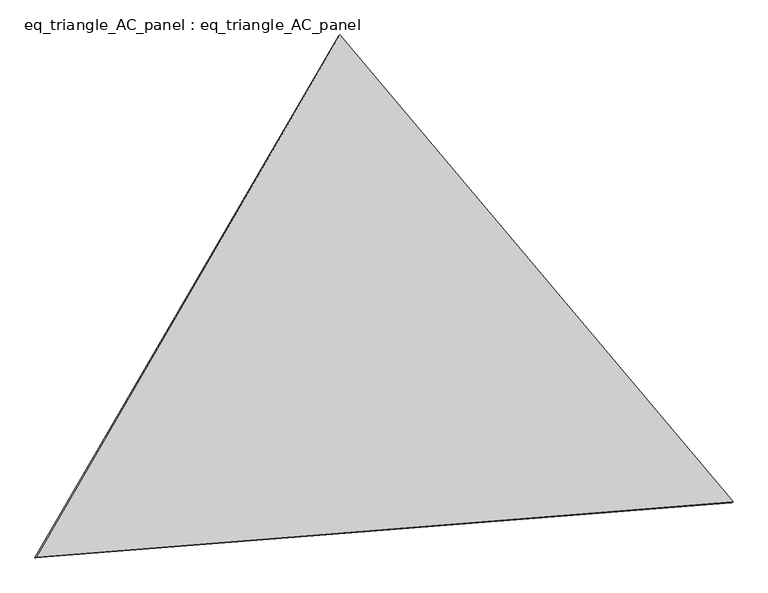
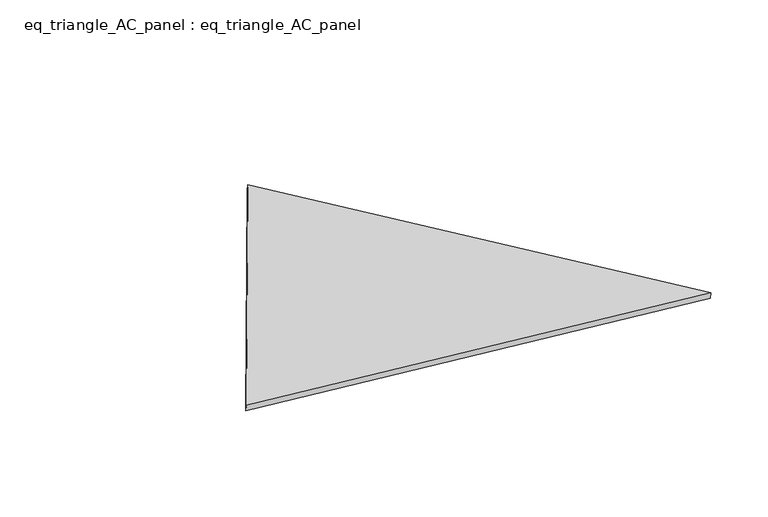
"""IFC4 building model written with IfcOpenShell, lengths in millimetres: proxy geometry, eq_triangle_AC_panel : eq_triangle_AC_panel."""

from ifc_helpers import new_model, si_unit, frame, origin, place, context, project, spatial, polyline, outline, extrude, source, transform, mapped, element, save


def eq_triangle_ac_panel_eq_triangle_ac_panel_d23b8727(model_context):
    return source(origin(), model_context, "Body", "SweptSolid", [
        extrude(outline(polyline([(-1545.5252188, 1096.9501239), (1940.5810827, 1096.9501239), (-395.0558641, -2193.9002477), (-1545.5252188, 1096.9501239)])), frame((0.0038051, 527.9290861, 89.8240019), z_axis=(0.14526328518058187, 0.08386570281802176, 0.9858321976225894), x_axis=(0.6433905056168279, -0.7649607109844397, -0.02972823459782364)), (0.0, 0.0, 1.0), 43.8306294),
    ])


if __name__ == "__main__":
    model = new_model("IFC4")
    model_context = context("Model", 3, world=origin())
    ifc_project = project(units=[si_unit("LENGTHUNIT", "METRE", prefix="MILLI")], contexts=[model_context])
    site = spatial("IfcSite", under=ifc_project)
    building = spatial("IfcBuilding", under=site)
    placement = place(None, origin())
    eq_triangle_ac_panel_eq_triangle_ac_panel_shape = eq_triangle_ac_panel_eq_triangle_ac_panel_d23b8727(model_context)
    element("IfcBuildingElementProxy", 1, Name="eq_triangle_AC_panel : eq_triangle_AC_panel", ObjectType="eq_triangle_AC_panel : eq_triangle_AC_panel", at=placement, inside=building, context=model_context, shape_type="MappedRepresentation", body=[
        mapped(eq_triangle_ac_panel_eq_triangle_ac_panel_shape, transform((0.0, 0.0, 0.0), x_axis=(1.0, 0.0, 0.0), y_axis=(0.0, 1.0, 0.0), z_axis=(0.0, 0.0, 1.0))),
    ])
    save(model, "model.ifc")
